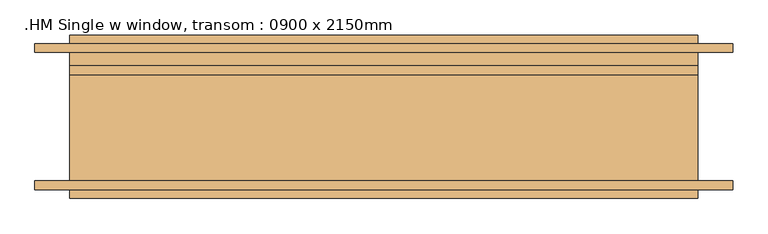
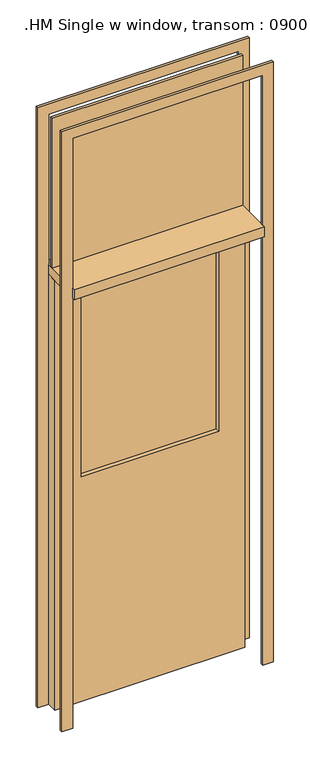
"""IFC4 building model written with IfcOpenShell, lengths in millimetres: door geometry, .HM Single w window, transom : 0900 x 2150mm."""

from ifc_helpers import new_model, si_unit, frame, origin, place, context, project, spatial, polyline, outline, extrude, source, transform, mapped, element, save


def hm_single_w_window_transom_0900_x_2150mm_0e8f3ddf(model_context):
    return source(origin(), model_context, "Body", "SweptSolid", [
        extrude(outline(polyline([(0.0, 525.4), (3000.0, 525.4), (3000.0, -474.6), (0.0, -474.6), (0.0, -424.6), (2950.0, -424.6), (2950.0, 475.4), (0.0, 475.4), (0.0, 525.4)])), frame((0.0, -104.5, 0.0), z_axis=(0.0, 1.0, 0.0), x_axis=(0.0, 0.0, 1.0)), (0.0, 0.0, 1.0), 12.5),
        extrude(outline(polyline([(0.0, -474.6), (0.0, -424.6), (2950.0, -424.6), (2950.0, 475.4), (0.0, 475.4), (0.0, 525.4), (3000.0, 525.4), (3000.0, -474.6), (0.0, -474.6)])), frame((0.0, 92.0, 0.0), z_axis=(0.0, 1.0, 0.0), x_axis=(0.0, 0.0, 1.0)), (0.0, 0.0, 1.0), 12.5),
        extrude(outline(polyline([(2150.0, 475.4), (2150.0, -424.6), (0.0, -424.6), (0.0, 475.4), (2150.0, 475.4)]), holes=[polyline([(1125.0, -299.6), (2025.0, -299.6), (2025.0, 350.4), (1125.0, 350.4), (1125.0, -299.6)])]), frame((0.0, 41.0, 0.0), z_axis=(0.0, 1.0, 0.0), x_axis=(0.0, 0.0, 1.0)), (0.0, 0.0, 1.0), 51.0),
        extrude(outline(polyline([(350.4, 60.25), (-299.6, 60.25), (-299.6, 72.75), (350.4, 72.75), (350.4, 60.25)])), frame((0.0, 0.0, 1125.0), z_axis=(0.0, 0.0, 1.0), x_axis=(1.0, 0.0, 0.0)), (0.0, 0.0, 1.0), 900.0),
        extrude(outline(polyline([(475.4, 117.0), (475.4, -117.0), (-424.6, -117.0), (-424.6, 117.0), (475.4, 117.0)])), frame((0.0, 0.0, 2150.0), z_axis=(0.0, 0.0, 1.0), x_axis=(1.0, 0.0, 0.0)), (0.0, 0.0, 1.0), 50.0),
        extrude(outline(polyline([(-424.6, 72.75), (475.4, 72.75), (475.4, 60.25), (-424.6, 60.25), (-424.6, 72.75)])), frame((0.0, 0.0, 2200.0), z_axis=(0.0, 0.0, 1.0), x_axis=(1.0, 0.0, 0.0)), (0.0, 0.0, 1.0), 750.0),
    ])


if __name__ == "__main__":
    model = new_model("IFC4")
    model_context = context("Model", 3, world=origin())
    ifc_project = project(units=[si_unit("LENGTHUNIT", "METRE", prefix="MILLI")], contexts=[model_context])
    site = spatial("IfcSite", under=ifc_project)
    building = spatial("IfcBuilding", under=site)
    placement = place(None, origin())
    hm_single_w_window_transom_0900_x_2150mm_shape = hm_single_w_window_transom_0900_x_2150mm_0e8f3ddf(model_context)
    element("IfcDoor", 1, ObjectType=".HM Single w window, transom : 0900 x 2150mm", at=placement, inside=building, context=model_context, shape_type="MappedRepresentation", body=[
        mapped(hm_single_w_window_transom_0900_x_2150mm_shape, transform((0.0, 0.0, 0.0), x_axis=(1.0, 0.0, 0.0), y_axis=(0.0, 1.0, 0.0), z_axis=(0.0, 0.0, 1.0))),
    ])
    save(model, "model.ifc")
